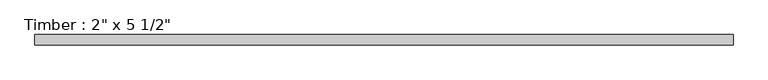
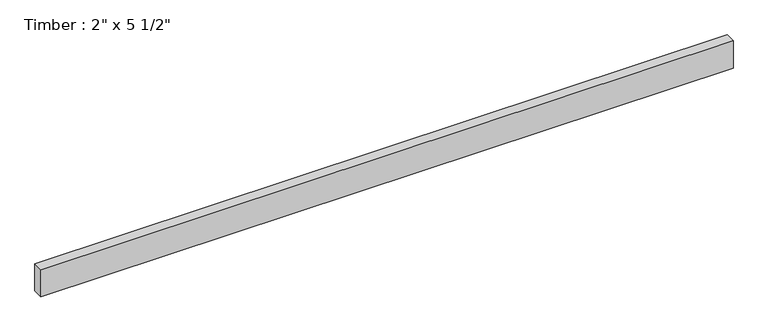
"""IFC4 building model written with IfcOpenShell, lengths in millimetres: beam geometry."""

from ifc_helpers import new_model, si_unit, frame, origin, place, context, project, spatial, polyline, outline, extrude, source, transform, mapped, element, save


def beam_21e6999f(model_context):
    return source(origin(), model_context, "Body", "SweptSolid", [
        extrude(outline(polyline([(1685.925, 25.4), (1685.925, -25.4), (-1685.925, -25.4), (-1685.925, 25.4), (1685.925, 25.4)])), frame((0.0, 0.0, -69.85), z_axis=(0.0, 0.0, 1.0), x_axis=(1.0, 0.0, 0.0)), (0.0, 0.0, 1.0), 139.7),
    ])


if __name__ == "__main__":
    model = new_model("IFC4")
    model_context = context("Model", 3, world=origin())
    ifc_project = project(units=[si_unit("LENGTHUNIT", "METRE", prefix="MILLI")], contexts=[model_context])
    site = spatial("IfcSite", under=ifc_project)
    building = spatial("IfcBuilding", under=site)
    placement = place(None, origin())
    beam_shape = beam_21e6999f(model_context)
    element("IfcBeam", 1, ObjectType="Timber : 2\" x 5 1/2\"", at=placement, inside=building, context=model_context, shape_type="MappedRepresentation", body=[
        mapped(beam_shape, transform((0.0, 0.0, 0.0), x_axis=(1.0, 0.0, 0.0), y_axis=(0.0, 1.0, 0.0), z_axis=(0.0, 0.0, 1.0))),
    ])
    save(model, "model.ifc")
